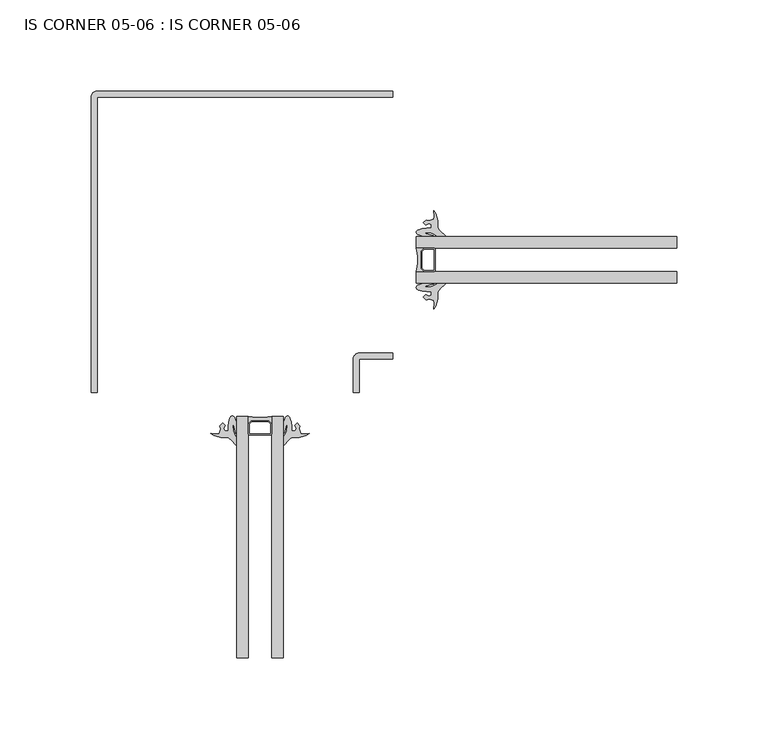
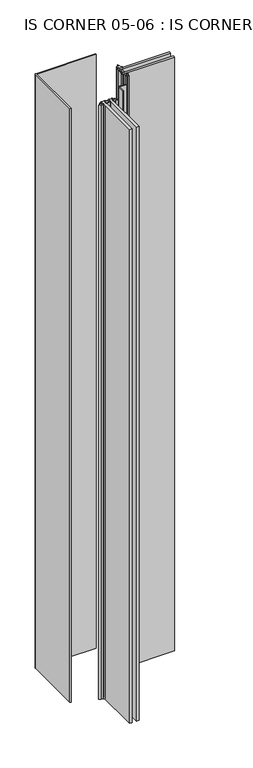
"""IFC4 building model written with IfcOpenShell, lengths in millimetres: plate geometry, IS CORNER 05-06 : IS CORNER 05-06."""

from ifc_helpers import new_model, si_unit, point, frame_2d, origin, origin_with_axes, place, context, project, spatial, polyline, circle_curve, trimmed, segment, composite_curve, outline, extrude, source, transform, mapped, element, save


def is_corner_05_06_is_corner_05_06_8f08c34d(model_context):
    return source(origin(), model_context, "Body", "SweptSolid", [
        extrude(outline(composite_curve([segment(trimmed(circle_curve(frame_2d((-215.9, -48.0196104)), 25.796875), [point((-222.25, -73.0227354))], [point((-209.55, -73.0227354))], True, "CARTESIAN"), True, "CONTINUOUS"), segment(polyline([(-209.55, -73.0227354), (-209.55, -76.9914854), (-211.1375, -75.4039854), (-220.6625, -75.4039854), (-222.25, -76.9914854), (-222.25, -73.0227354)]), True, "CONTINUOUS")], self_intersect=False)), origin_with_axes(), (0.0, 0.0, 1.0), 1710.2666667),
        extrude(outline(composite_curve([segment(trimmed(circle_curve(frame_2d((-155.1781437, 12.7)), 25.796875), [point((-130.1750187, 6.35))], [point((-130.1750187, 19.05))], True, "CARTESIAN"), True, "CONTINUOUS"), segment(polyline([(-130.1750187, 19.05), (-126.2062687, 19.05), (-127.7937687, 17.4625), (-127.7937687, 7.9375), (-126.2062687, 6.35), (-130.1750187, 6.35)]), True, "CONTINUOUS")], self_intersect=False)), origin_with_axes(), (0.0, 0.0, 1.0), 1710.2666667),
        extrude(outline(composite_curve([segment(trimmed(circle_curve(frame_2d((-210.34375, -82.5477354)), 0.79375), [point((-209.55, -82.5477354))], [point((-210.34375, -83.3414854))], False, "CARTESIAN"), True, "CONTINUOUS"), segment(polyline([(-210.34375, -83.3414854), (-221.45625, -83.3414854)]), True, "CONTINUOUS"), segment(trimmed(circle_curve(frame_2d((-221.45625, -82.5477354)), 0.79375), [point((-221.45625, -83.3414854))], [point((-222.25, -82.5477354))], False, "CARTESIAN"), True, "CONTINUOUS"), segment(polyline([(-222.25, -82.5477354), (-222.25, -76.9914854), (-220.6625, -75.4039854), (-211.1375, -75.4039854), (-209.55, -76.9914854), (-209.55, -82.5477354)]), True, "CONTINUOUS")], self_intersect=False), holes=[polyline([(-221.45625, -82.5477354), (-210.34375, -82.5477354), (-210.34375, -77.3202674), (-211.466282, -76.1977354), (-220.333718, -76.1977354), (-221.45625, -77.3202674), (-221.45625, -82.5477354)])]), origin_with_axes(), (0.0, 0.0, 1.0), 1710.2666667),
        extrude(outline(composite_curve([segment(trimmed(circle_curve(frame_2d((-120.6500187, 18.25625)), 0.79375), [point((-120.6500187, 19.05))], [point((-119.8562687, 18.25625))], False, "CARTESIAN"), True, "CONTINUOUS"), segment(polyline([(-119.8562687, 18.25625), (-119.8562687, 7.14375)]), True, "CONTINUOUS"), segment(trimmed(circle_curve(frame_2d((-120.6500187, 7.14375)), 0.79375), [point((-119.8562687, 7.14375))], [point((-120.6500187, 6.35))], False, "CARTESIAN"), True, "CONTINUOUS"), segment(polyline([(-120.6500187, 6.35), (-126.2062687, 6.35), (-127.7937687, 7.9375), (-127.7937687, 17.4625), (-126.2062687, 19.05), (-120.6500187, 19.05)]), True, "CONTINUOUS")], self_intersect=False), holes=[polyline([(-120.6500187, 7.14375), (-120.6500187, 18.25625), (-125.8774867, 18.25625), (-127.0000187, 17.133718), (-127.0000187, 8.266282), (-125.8774867, 7.14375), (-120.6500187, 7.14375)])]), origin_with_axes(), (0.0, 0.0, 1.0), 1710.2666667),
        extrude(outline(polyline([(-222.25, -73.0227354), (-222.25, -205.4278816), (-228.6, -205.4278816), (-228.6, -73.0227354), (-222.25, -73.0227354)])), origin_with_axes(), (0.0, 0.0, 1.0), 1710.2666667),
        extrude(outline(polyline([(-203.2, -73.0227354), (-203.2, -205.4278816), (-209.55, -205.4278816), (-209.55, -73.0227354), (-203.2, -73.0227354)])), origin_with_axes(), (0.0, 0.0, 1.0), 1710.2666667),
        extrude(outline(polyline([(12.3594503, 0.0), (-130.1750187, 0.0), (-130.1750187, 6.35), (12.3594503, 6.35), (12.3594503, 0.0)])), origin_with_axes(), (0.0, 0.0, 1.0), 1710.2666667),
        extrude(outline(polyline([(12.3594503, 19.05), (-130.1750187, 19.05), (-130.1750187, 25.4), (12.3594503, 25.4), (12.3594503, 19.05)])), origin_with_axes(), (0.0, 0.0, 1.0), 1710.2666667),
        extrude(outline(composite_curve([segment(trimmed(circle_curve(frame_2d((-128.8481373, -2.4247646)), 1.3941395), [point((-129.3435915, -3.7278955))], [point((-129.3435915, -1.1216337))], False, "CARTESIAN"), True, "CONTINUOUS"), segment(trimmed(circle_curve(frame_2d((-122.7687884, -19.1604612)), 19.1996701), [point((-129.3435915, -1.1216337))], [point((-124.5527386, -0.0438492))], False, "CARTESIAN"), True, "CONTINUOUS"), segment(polyline([(-124.5527386, -0.0438492), (-121.1428998, -0.0438492)]), True, "CONTINUOUS"), segment(trimmed(circle_curve(frame_2d((-121.1545167, -0.3663344)), 0.3226944), [point((-121.1428998, -0.0438492))], [point((-121.0905395, -0.6826233))], False, "CARTESIAN"), True, "CONTINUOUS"), segment(polyline([(-121.0905395, -0.6826233), (-125.1869408, -1.7756258)]), True, "CONTINUOUS"), segment(trimmed(circle_curve(frame_2d((-125.1486699, -2.046148)), 0.2732159), [point((-125.1869408, -1.7756258))], [point((-125.1103989, -2.3166702))], True, "CARTESIAN"), True, "CONTINUOUS"), segment(polyline([(-125.1103989, -2.3166702), (-122.016831, -1.8790209)]), True, "CONTINUOUS"), segment(trimmed(circle_curve(frame_2d((-125.1187212, 9.5589953)), 11.8511576), [point((-122.016831, -1.8790209))], [point((-120.6990119, -1.4371907))], True, "CARTESIAN"), True, "CONTINUOUS"), segment(polyline([(-120.6990119, -1.4371907), (-119.1768971, -0.4592097)]), True, "CONTINUOUS"), segment(trimmed(circle_curve(frame_2d((-117.9445934, -2.0666139)), 2.0254186), [point((-119.1768971, -0.4592097))], [point((-118.0482442, -0.0438492))], False, "CARTESIAN"), True, "CONTINUOUS"), segment(polyline([(-118.0482442, -0.0438492), (-114.765626, -0.0037239)]), True, "CONTINUOUS"), segment(trimmed(circle_curve(frame_2d((-114.765626, -0.4005989)), 0.396875), [point((-114.765626, -0.0037239))], [point((-114.4673959, -0.6624549))], False, "CARTESIAN"), True, "CONTINUOUS"), segment(polyline([(-114.4673959, -0.6624549), (-117.2852876, -3.0895597)]), True, "CONTINUOUS"), segment(trimmed(circle_curve(frame_2d((-113.8234482, -6.3651424)), 4.765897), [point((-117.2852876, -3.0895597))], [point((-118.5481212, -6.990633))], True, "CARTESIAN"), True, "CONTINUOUS"), segment(trimmed(circle_curve(frame_2d((-130.7386587, -7.3645635)), 12.196271), [point((-118.5481212, -6.990633))], [point((-120.6951734, -14.2839153))], False, "CARTESIAN"), True, "CONTINUOUS"), segment(polyline([(-120.6951734, -14.2839153), (-120.574297, -11.2204206), (-120.6981042, -9.6723757), (-123.302095, -8.8435897), (-124.7837424, -9.2389232), (-126.4551398, -7.8147218), (-125.0932604, -6.2666768), (-123.4837666, -7.1955038), (-122.1218872, -6.6382077), (-122.1218872, -4.7752), (-124.5527386, -4.7752)]), True, "CONTINUOUS"), segment(trimmed(circle_curve(frame_2d((-123.2451436, 12.6877766)), 17.5118633), [point((-124.5527386, -4.7752))], [point((-129.3435915, -3.7278955))], False, "CARTESIAN"), True, "CONTINUOUS")], self_intersect=False)), origin_with_axes(), (0.0, 0.0, 1.0), 1710.2666667),
        extrude(outline(composite_curve([segment(trimmed(circle_curve(frame_2d((-123.2451436, 12.685353)), 17.5118633), [point((-129.3435915, 29.1010251))], [point((-124.5527386, 30.1483296))], False, "CARTESIAN"), True, "CONTINUOUS"), segment(polyline([(-124.5527386, 30.1483296), (-122.1218872, 30.1483296), (-122.1218872, 32.0113373), (-123.4837666, 32.5686335), (-125.0932604, 31.6398065), (-126.4551398, 33.1878514), (-124.7837424, 34.6120528), (-123.302095, 34.2167194), (-120.6981042, 35.0455053), (-120.574297, 36.5935503), (-120.6951734, 39.657045)]), True, "CONTINUOUS"), segment(trimmed(circle_curve(frame_2d((-130.7386587, 32.7376931)), 12.196271), [point((-120.6951734, 39.657045))], [point((-118.5481212, 32.3637626))], False, "CARTESIAN"), True, "CONTINUOUS"), segment(trimmed(circle_curve(frame_2d((-113.8234482, 31.738272)), 4.765897), [point((-118.5481212, 32.3637626))], [point((-117.2852876, 28.4626894))], True, "CARTESIAN"), True, "CONTINUOUS"), segment(polyline([(-117.2852876, 28.4626894), (-114.4673959, 26.0355845)]), True, "CONTINUOUS"), segment(trimmed(circle_curve(frame_2d((-114.765626, 25.7737285)), 0.396875), [point((-114.4673959, 26.0355845))], [point((-114.765626, 25.3768535))], False, "CARTESIAN"), True, "CONTINUOUS"), segment(polyline([(-114.765626, 25.3768535), (-118.0482442, 25.4169788)]), True, "CONTINUOUS"), segment(trimmed(circle_curve(frame_2d((-117.9445934, 27.4397435)), 2.0254186), [point((-118.0482442, 25.4169788))], [point((-119.1768971, 25.8323393))], False, "CARTESIAN"), True, "CONTINUOUS"), segment(polyline([(-119.1768971, 25.8323393), (-120.6990119, 26.8103203)]), True, "CONTINUOUS"), segment(trimmed(circle_curve(frame_2d((-125.1187212, 15.8141343)), 11.8511576), [point((-120.6990119, 26.8103203))], [point((-122.016831, 27.2521505))], True, "CARTESIAN"), True, "CONTINUOUS"), segment(polyline([(-122.016831, 27.2521505), (-125.1103989, 27.6897999)]), True, "CONTINUOUS"), segment(trimmed(circle_curve(frame_2d((-125.1486699, 27.4192777)), 0.2732159), [point((-125.1103989, 27.6897999))], [point((-125.1869408, 27.1487555))], True, "CARTESIAN"), True, "CONTINUOUS"), segment(polyline([(-125.1869408, 27.1487555), (-121.0905395, 26.0557529)]), True, "CONTINUOUS"), segment(trimmed(circle_curve(frame_2d((-121.1545167, 25.7394641)), 0.3226944), [point((-121.0905395, 26.0557529))], [point((-121.1428998, 25.4169788))], False, "CARTESIAN"), True, "CONTINUOUS"), segment(polyline([(-121.1428998, 25.4169788), (-124.5527386, 25.4169788)]), True, "CONTINUOUS"), segment(trimmed(circle_curve(frame_2d((-122.7687884, 44.5335908)), 19.1996701), [point((-124.5527386, 25.4169788))], [point((-129.3435915, 26.4947633))], False, "CARTESIAN"), True, "CONTINUOUS"), segment(trimmed(circle_curve(frame_2d((-128.8481373, 27.7978942)), 1.3941395), [point((-129.3435915, 26.4947633))], [point((-129.3435915, 29.1010251))], False, "CARTESIAN"), True, "CONTINUOUS")], self_intersect=False)), origin_with_axes(), (0.0, 0.0, 1.0), 1710.2666667),
        extrude(outline(composite_curve([segment(trimmed(circle_curve(frame_2d((-215.914647, -79.9526105)), 17.5118633), [point((-199.4989749, -73.8541626))], [point((-198.4516704, -78.6450155))], False, "CARTESIAN"), True, "CONTINUOUS"), segment(polyline([(-198.4516704, -78.6450155), (-198.4516704, -81.0758669), (-196.5886627, -81.0758669), (-196.0313665, -79.7139875), (-196.9601935, -78.1044937), (-195.4121486, -76.7426143), (-193.9879472, -78.4140117), (-194.3832806, -79.895659), (-193.5544947, -82.4996499), (-192.0064497, -82.623457), (-188.942955, -82.5025807)]), True, "CONTINUOUS"), segment(trimmed(circle_curve(frame_2d((-195.8623069, -72.4590954)), 12.196271), [point((-188.942955, -82.5025807))], [point((-196.2362374, -84.6496329))], False, "CARTESIAN"), True, "CONTINUOUS"), segment(trimmed(circle_curve(frame_2d((-196.861728, -89.3743059)), 4.765897), [point((-196.2362374, -84.6496329))], [point((-200.1373106, -85.9124665))], True, "CARTESIAN"), True, "CONTINUOUS"), segment(polyline([(-200.1373106, -85.9124665), (-202.5644155, -88.7303582)]), True, "CONTINUOUS"), segment(trimmed(circle_curve(frame_2d((-202.8262715, -88.4321281)), 0.396875), [point((-202.5644155, -88.7303582))], [point((-203.2231465, -88.4321281))], False, "CARTESIAN"), True, "CONTINUOUS"), segment(polyline([(-203.2231465, -88.4321281), (-203.1830212, -85.1495099)]), True, "CONTINUOUS"), segment(trimmed(circle_curve(frame_2d((-201.1602565, -85.2531607)), 2.0254186), [point((-203.1830212, -85.1495099))], [point((-202.7676607, -84.020857))], False, "CARTESIAN"), True, "CONTINUOUS"), segment(polyline([(-202.7676607, -84.020857), (-201.7896797, -82.4987422)]), True, "CONTINUOUS"), segment(trimmed(circle_curve(frame_2d((-212.7858657, -78.0790329)), 11.8511576), [point((-201.7896797, -82.4987422))], [point((-201.3478495, -81.1809231))], True, "CARTESIAN"), True, "CONTINUOUS"), segment(polyline([(-201.3478495, -81.1809231), (-200.9102001, -78.0873552)]), True, "CONTINUOUS"), segment(trimmed(circle_curve(frame_2d((-201.1807223, -78.0490842)), 0.2732159), [point((-200.9102001, -78.0873552))], [point((-201.4512445, -78.0108133))], True, "CARTESIAN"), True, "CONTINUOUS"), segment(polyline([(-201.4512445, -78.0108133), (-202.5442471, -82.1072146)]), True, "CONTINUOUS"), segment(trimmed(circle_curve(frame_2d((-202.8605359, -82.0432373)), 0.3226944), [point((-202.5442471, -82.1072146))], [point((-203.1830212, -82.0548542))], False, "CARTESIAN"), True, "CONTINUOUS"), segment(polyline([(-203.1830212, -82.0548542), (-203.1830212, -78.6450155)]), True, "CONTINUOUS"), segment(trimmed(circle_curve(frame_2d((-184.0664092, -80.4289657)), 19.1996701), [point((-203.1830212, -78.6450155))], [point((-202.1052367, -73.8541626))], False, "CARTESIAN"), True, "CONTINUOUS"), segment(trimmed(circle_curve(frame_2d((-200.8021058, -74.3496167)), 1.3941395), [point((-202.1052367, -73.8541626))], [point((-199.4989749, -73.8541626))], False, "CARTESIAN"), True, "CONTINUOUS")], self_intersect=False)), origin_with_axes(), (0.0, 0.0, 1.0), 1710.2666667),
        extrude(outline(composite_curve([segment(trimmed(circle_curve(frame_2d((-231.0247646, -74.3496167)), 1.3941395), [point((-232.3278955, -73.8541626))], [point((-229.7216337, -73.8541626))], False, "CARTESIAN"), True, "CONTINUOUS"), segment(trimmed(circle_curve(frame_2d((-247.7604612, -80.4289657)), 19.1996701), [point((-229.7216337, -73.8541626))], [point((-228.6438492, -78.6450155))], False, "CARTESIAN"), True, "CONTINUOUS"), segment(polyline([(-228.6438492, -78.6450155), (-228.6438492, -82.0548542)]), True, "CONTINUOUS"), segment(trimmed(circle_curve(frame_2d((-228.9663344, -82.0432373)), 0.3226944), [point((-228.6438492, -82.0548542))], [point((-229.2826233, -82.1072146))], False, "CARTESIAN"), True, "CONTINUOUS"), segment(polyline([(-229.2826233, -82.1072146), (-230.3756258, -78.0108133)]), True, "CONTINUOUS"), segment(trimmed(circle_curve(frame_2d((-230.646148, -78.0490842)), 0.2732159), [point((-230.3756258, -78.0108133))], [point((-230.9166702, -78.0873552))], True, "CARTESIAN"), True, "CONTINUOUS"), segment(polyline([(-230.9166702, -78.0873552), (-230.4790209, -81.1809231)]), True, "CONTINUOUS"), segment(trimmed(circle_curve(frame_2d((-219.0410047, -78.0790329)), 11.8511576), [point((-230.4790209, -81.1809231))], [point((-230.0371907, -82.4987422))], True, "CARTESIAN"), True, "CONTINUOUS"), segment(polyline([(-230.0371907, -82.4987422), (-229.0592097, -84.020857)]), True, "CONTINUOUS"), segment(trimmed(circle_curve(frame_2d((-230.6666139, -85.2531607)), 2.0254186), [point((-229.0592097, -84.020857))], [point((-228.6438492, -85.1495099))], False, "CARTESIAN"), True, "CONTINUOUS"), segment(polyline([(-228.6438492, -85.1495099), (-228.6037239, -88.4321281)]), True, "CONTINUOUS"), segment(trimmed(circle_curve(frame_2d((-229.0005989, -88.4321281)), 0.396875), [point((-228.6037239, -88.4321281))], [point((-229.2624549, -88.7303582))], False, "CARTESIAN"), True, "CONTINUOUS"), segment(polyline([(-229.2624549, -88.7303582), (-231.6895597, -85.9124665)]), True, "CONTINUOUS"), segment(trimmed(circle_curve(frame_2d((-234.9651424, -89.3743059)), 4.765897), [point((-231.6895597, -85.9124665))], [point((-235.590633, -84.6496329))], True, "CARTESIAN"), True, "CONTINUOUS"), segment(trimmed(circle_curve(frame_2d((-235.9645635, -72.4590954)), 12.196271), [point((-235.590633, -84.6496329))], [point((-242.8839153, -82.5025807))], False, "CARTESIAN"), True, "CONTINUOUS"), segment(polyline([(-242.8839153, -82.5025807), (-239.8204206, -82.623457), (-238.2723757, -82.4996499), (-237.4435897, -79.895659), (-237.8389232, -78.4140117), (-236.4147218, -76.7426143), (-234.8666768, -78.1044937), (-235.7955038, -79.7139875), (-235.2382077, -81.0758669), (-233.3752, -81.0758669), (-233.3752, -78.6450155)]), True, "CONTINUOUS"), segment(trimmed(circle_curve(frame_2d((-215.9122234, -79.9526105)), 17.5118633), [point((-233.3752, -78.6450155))], [point((-232.3278955, -73.8541626))], False, "CARTESIAN"), True, "CONTINUOUS")], self_intersect=False)), origin_with_axes(), (0.0, 0.0, 1.0), 1710.2666667),
        extrude(outline(composite_curve([segment(polyline([(-305.1326992, -59.979303), (-308.3076992, -59.979303), (-308.3076992, 101.9458133)]), True, "CONTINUOUS"), segment(trimmed(circle_curve(frame_2d((-305.1326992, 101.9458133)), 3.175), [point((-308.3076992, 101.9458133))], [point((-305.1326992, 105.1208133))], False, "CARTESIAN"), True, "CONTINUOUS"), segment(polyline([(-305.1326992, 105.1208133), (-143.2075807, 105.1208133), (-143.2075807, 101.9458133), (-305.1326992, 101.9458133), (-305.1326992, -59.979303)]), True, "CONTINUOUS")], self_intersect=False)), origin_with_axes(), (0.0, 0.0, 1.0), 1710.2666667),
        extrude(outline(composite_curve([segment(polyline([(-161.5814601, -59.9840963), (-164.7564601, -59.9840963), (-164.7564601, -41.6071963)]), True, "CONTINUOUS"), segment(trimmed(circle_curve(frame_2d((-161.5814601, -41.6071963)), 3.175), [point((-164.7564601, -41.6071963))], [point((-161.5814601, -38.4321963))], False, "CARTESIAN"), True, "CONTINUOUS"), segment(polyline([(-161.5814601, -38.4321963), (-143.2045601, -38.4321963), (-143.2045601, -41.6071963), (-161.5814601, -41.6071963), (-161.5814601, -59.9840963)]), True, "CONTINUOUS")], self_intersect=False)), origin_with_axes(), (0.0, 0.0, 1.0), 1710.2666667),
    ])


if __name__ == "__main__":
    model = new_model("IFC4")
    model_context = context("Model", 3, world=origin())
    ifc_project = project(units=[si_unit("LENGTHUNIT", "METRE", prefix="MILLI")], contexts=[model_context])
    site = spatial("IfcSite", under=ifc_project)
    building = spatial("IfcBuilding", under=site)
    placement = place(None, origin())
    is_corner_05_06_is_corner_05_06_shape = is_corner_05_06_is_corner_05_06_8f08c34d(model_context)
    element("IfcPlate", 1, ObjectType="IS CORNER 05-06 : IS CORNER 05-06", at=placement, inside=building, context=model_context, shape_type="MappedRepresentation", body=[
        mapped(is_corner_05_06_is_corner_05_06_shape, transform((0.0, 0.0, 0.0), x_axis=(1.0, 0.0, 0.0), y_axis=(0.0, 1.0, 0.0), z_axis=(0.0, 0.0, 1.0))),
    ])
    save(model, "model.ifc")
